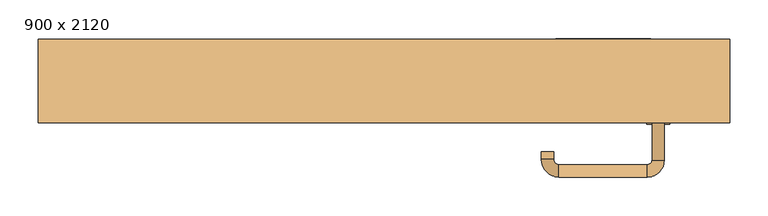
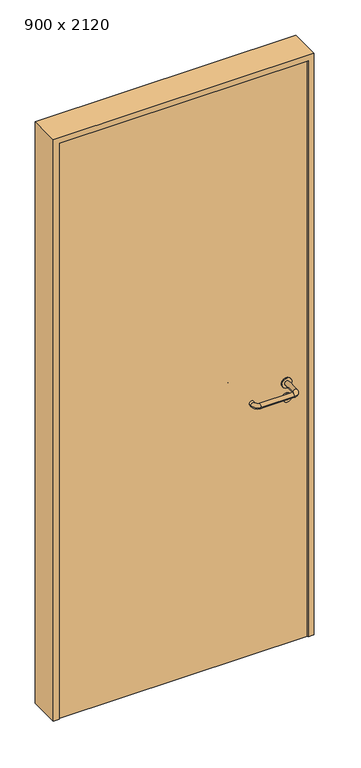
"""IFC4 building model written with IfcOpenShell, lengths in millimetres: door geometry, 900 x 2120."""

from ifc_helpers import new_model, si_unit, point, frame, frame_2d, origin, origin_with_axes, place, context, project, spatial, polyline, circle_curve, ellipse_curve, trimmed, segment, composite_curve, outline, extrude, source, transform, mapped, element, save
from ifc_brep_helpers import plane_surface, cylinder_surface, revolved_surface, advanced_brep


def door_900_x_2120_6063f78e(model_context):
    return source(origin(), model_context, "Body", "SolidModel", [
        extrude(outline(composite_curve([segment(trimmed(circle_curve(frame_2d((897.3605726, 357.0)), 15.0), [point((897.3605726, 372.0))], [point((897.3605726, 342.0))], False, "CARTESIAN"), True, "CONTINUOUS"), segment(trimmed(circle_curve(frame_2d((897.3605726, 357.0)), 15.0), [point((897.3605726, 342.0))], [point((897.3605726, 372.0))], False, "CARTESIAN"), True, "CONTINUOUS")], self_intersect=False), holes=[composite_curve([segment(trimmed(circle_curve(frame_2d((892.5833211, 356.9398032)), 2.0), [point((892.5833211, 358.9398032))], [point((892.5833211, 354.9398032))], True, "CARTESIAN"), True, "CONTINUOUS"), segment(polyline([(892.5833211, 354.9398032), (902.5833211, 354.9398032)]), True, "CONTINUOUS"), segment(trimmed(circle_curve(frame_2d((902.5833211, 356.9398032)), 2.0), [point((902.5833211, 354.9398032))], [point((902.5833211, 358.9398032))], True, "CARTESIAN"), True, "CONTINUOUS"), segment(polyline([(902.5833211, 358.9398032), (892.5833211, 358.9398032)]), True, "CONTINUOUS")], self_intersect=False)]), frame((0.0, -20.0, 0.0), z_axis=(0.0, 1.0, 0.0), x_axis=(0.0, 0.0, 1.0)), (0.0, 0.0, 1.0), 6.35),
        extrude(outline(composite_curve([segment(trimmed(circle_curve(frame_2d((950.0, 357.0)), 17.526), [point((950.0, 374.526))], [point((950.0, 339.474))], False, "CARTESIAN"), True, "CONTINUOUS"), segment(trimmed(circle_curve(frame_2d((950.0, 357.0)), 17.526), [point((950.0, 339.474))], [point((950.0, 374.526))], False, "CARTESIAN"), True, "CONTINUOUS")], self_intersect=False)), frame((0.0, -20.0, 0.0), z_axis=(0.0, 1.0, 0.0), x_axis=(0.0, 0.0, 1.0)), (0.0, 0.0, 1.0), 3.175),
        advanced_brep(
        [(365.0, -20.0, 950.0), (349.0, -20.0, 950.0), (365.0, 33.0, 950.0), (349.0, 33.0, 950.0), (342.8578644, 39.1421356, 950.0), (342.8578644, 55.1421356, 950.0), (227.8578644, 55.1421356, 950.0), (227.8578644, 39.1421356, 950.0), (221.008622, 32.2928932, 950.0), (205.008622, 32.2928932, 950.0), (205.008622, 22.2928932, 950.0), (221.008622, 22.2928932, 950.0)],
        [
            (0, 1, circle_curve(frame((357.0, -20.0, 950.0), z_axis=(0.0, -1.0, 0.0), x_axis=(-1.0, 0.0, 0.0)), 8.0)),
            (1, 0, circle_curve(frame((357.0, -20.0, 950.0), z_axis=(0.0, -1.0, 0.0), x_axis=(-1.0, 0.0, 0.0)), 8.0)),
            (0, 2),
            (2, 3, circle_curve(frame((357.0, 33.0, 950.0), z_axis=(0.0, -1.0, 0.0), x_axis=(-1.0, 0.0, 0.0)), 8.0)),
            (3, 1),
            (3, 2, circle_curve(frame((357.0, 33.0, 950.0), z_axis=(0.0, -1.0, 0.0), x_axis=(-1.0, 0.0, 0.0)), 8.0)),
            (4, 3, circle_curve(frame((342.8578644, 33.0, 950.0), z_axis=(0.0, 0.0, -1.0), x_axis=(1.0, 0.0, 0.0)), 6.1421356)),
            (2, 5, circle_curve(frame((342.8578644, 33.0, 950.0), z_axis=(0.0, 0.0, 1.0), x_axis=(1.0, 0.0, 0.0)), 22.1421356)),
            (5, 4, circle_curve(frame((342.8578644, 47.1421356, 950.0), z_axis=(1.0, 0.0, 0.0), x_axis=(0.0, -1.0, 0.0)), 8.0)),
            (4, 5, circle_curve(frame((342.8578644, 47.1421356, 950.0), z_axis=(1.0, 0.0, 0.0), x_axis=(0.0, -1.0, 0.0)), 8.0)),
            (5, 6),
            (6, 7, circle_curve(frame((227.8578644, 47.1421356, 950.0), z_axis=(1.0, 0.0, 0.0), x_axis=(0.0, -1.0, 0.0)), 8.0)),
            (7, 4),
            (7, 6, circle_curve(frame((227.8578644, 47.1421356, 950.0), z_axis=(1.0, 0.0, 0.0), x_axis=(0.0, -1.0, 0.0)), 8.0)),
            (8, 7, circle_curve(frame((227.8578644, 32.2928932, 950.0), z_axis=(0.0, 0.0, -1.0), x_axis=(0.0, 1.0, 0.0)), 6.8492424)),
            (6, 9, circle_curve(frame((227.8578644, 32.2928932, 950.0), z_axis=(0.0, 0.0, 1.0), x_axis=(0.0, 1.0, 0.0)), 22.8492424)),
            (9, 8, circle_curve(frame((213.008622, 32.2928932, 950.0), z_axis=(0.0, 1.0, 0.0), x_axis=(1.0, 0.0, 0.0)), 8.0)),
            (8, 9, circle_curve(frame((213.008622, 32.2928932, 950.0), z_axis=(0.0, 1.0, 0.0), x_axis=(1.0, 0.0, 0.0)), 8.0)),
            (10, 11, circle_curve(frame((213.008622, 22.2928932, 950.0), z_axis=(0.0, -1.0, 0.0), x_axis=(1.0, 0.0, 0.0)), 8.0)),
            (11, 10, circle_curve(frame((213.008622, 22.2928932, 950.0), z_axis=(0.0, -1.0, 0.0), x_axis=(1.0, 0.0, 0.0)), 8.0)),
            (9, 10),
            (11, 8),
        ],
        [
            plane_surface(frame((357.0, -20.0, 0.0), z_axis=(0.0, -1.0, 0.0), x_axis=(0.0, 0.0, 1.0))),
            cylinder_surface(frame((357.0, -20.0, 950.0), z_axis=(0.0, -1.0, 0.0), x_axis=(-1.0, 0.0, 0.0)), 8.0),
            revolved_surface(trimmed(ellipse_curve(frame((357.0, 33.0, 950.0), z_axis=(0.0, -1.0, 0.0), x_axis=(-1.0, 0.0, 0.0)), 8.0, 8.0), [point((365.0, 33.0, 950.0))], [point((349.0, 33.0, 950.0))], True, "CARTESIAN"), (342.8578644, 33.0, 0.0), (0.0, 0.0, 1.0)),
            revolved_surface(trimmed(ellipse_curve(frame((357.0, 33.0, 950.0), z_axis=(0.0, -1.0, 0.0), x_axis=(-1.0, 0.0, 0.0)), 8.0, 8.0), [point((349.0, 33.0, 950.0))], [point((365.0, 33.0, 950.0))], True, "CARTESIAN"), (342.8578644, 33.0, 0.0), (0.0, 0.0, 1.0)),
            cylinder_surface(frame((342.8578644, 47.1421356, 950.0), z_axis=(1.0, 0.0, 0.0), x_axis=(0.0, -1.0, 0.0)), 8.0),
            revolved_surface(trimmed(ellipse_curve(frame((227.8578644, 47.1421356, 950.0), z_axis=(1.0, 0.0, 0.0), x_axis=(0.0, -1.0, 0.0)), 8.0, 8.0), [point((227.8578644, 55.1421356, 950.0))], [point((227.8578644, 39.1421356, 950.0))], True, "CARTESIAN"), (227.8578644, 32.2928932, 0.0), (0.0, 0.0, 1.0)),
            revolved_surface(trimmed(ellipse_curve(frame((227.8578644, 47.1421356, 950.0), z_axis=(1.0, 0.0, 0.0), x_axis=(0.0, -1.0, 0.0)), 8.0, 8.0), [point((227.8578644, 39.1421356, 950.0))], [point((227.8578644, 55.1421356, 950.0))], True, "CARTESIAN"), (227.8578644, 32.2928932, 0.0), (0.0, 0.0, 1.0)),
            plane_surface(frame((213.008622, 22.2928932, 0.0), z_axis=(0.0, -1.0, 0.0), x_axis=(0.0, 0.0, 1.0))),
            cylinder_surface(frame((213.008622, 32.2928932, 950.0), z_axis=(0.0, 1.0, 0.0), x_axis=(1.0, 0.0, 0.0)), 8.0),
        ],
        [
            (0, [[1, 2]]),
            (1, [[-1, 3, 4, 5]]),
            (1, [[-2, -5, 6, -3]]),
            (2, [[7, -4, 8, 9]]),
            (3, [[-8, -6, -7, 10]]),
            (4, [[-9, 11, 12, 13]]),
            (4, [[-10, -13, 14, -11]]),
            (5, [[15, -12, 16, 17]]),
            (6, [[-16, -14, -15, 18]]),
            (7, [[19, 20]]),
            (8, [[-17, 21, -20, 22]]),
            (8, [[-18, -22, -19, -21]]),
        ],
    ),
        extrude(outline(composite_curve([segment(trimmed(circle_curve(frame_2d((0.0, 15.0)), 15.0), [point((0.0, 30.0))], [point((0.0, 0.0))], False, "CARTESIAN"), True, "CONTINUOUS"), segment(trimmed(circle_curve(frame_2d((0.0, 15.0)), 15.0), [point((0.0, 0.0))], [point((0.0, 30.0))], False, "CARTESIAN"), True, "CONTINUOUS")], self_intersect=False), holes=[composite_curve([segment(trimmed(circle_curve(frame_2d((-4.7772515, 14.9398032)), 2.0), [point((-4.7772515, 16.9398032))], [point((-4.7772515, 12.9398032))], True, "CARTESIAN"), True, "CONTINUOUS"), segment(polyline([(-4.7772515, 12.9398032), (5.2227485, 12.9398032)]), True, "CONTINUOUS"), segment(trimmed(circle_curve(frame_2d((5.2227485, 14.9398032)), 2.0), [point((5.2227485, 12.9398032))], [point((5.2227485, 16.9398032))], True, "CARTESIAN"), True, "CONTINUOUS"), segment(polyline([(5.2227485, 16.9398032), (-4.7772515, 16.9398032)]), True, "CONTINUOUS")], self_intersect=False)]), frame((342.0, -56.35, 897.3605726), z_axis=(-1.8870575173328306e-12, 1.0, 0.0), x_axis=(0.0, 0.0, 1.0)), (0.0, 0.0, 1.0), 6.35),
        extrude(outline(composite_curve([segment(trimmed(circle_curve(frame_2d((0.0, 17.526)), 17.526), [point((0.0, 35.052))], [point((0.0, 0.0))], False, "CARTESIAN"), True, "CONTINUOUS"), segment(trimmed(circle_curve(frame_2d((0.0, 17.526)), 17.526), [point((0.0, 0.0))], [point((0.0, 35.052))], False, "CARTESIAN"), True, "CONTINUOUS")], self_intersect=False)), frame((339.474, -53.175, 950.0), z_axis=(-1.8870575173328306e-12, 1.0, 0.0), x_axis=(0.0, 0.0, 1.0)), (0.0, 0.0, 1.0), 3.175),
        advanced_brep(
        [(365.0, -50.0, 950.0), (349.0, -50.0, 950.0), (349.0, -103.0, 950.0), (365.0, -103.0, 950.0), (342.8578644, -109.1421356, 950.0), (342.8578644, -125.1421356, 950.0), (227.8578644, -109.1421356, 950.0), (227.8578644, -125.1421356, 950.0), (221.008622, -102.2928932, 950.0), (205.008622, -102.2928932, 950.0), (205.008622, -92.2928932, 950.0), (221.008622, -92.2928932, 950.0)],
        [
            (0, 1, circle_curve(frame((357.0, -50.0, 950.0), z_axis=(-1.888672253512351e-12, 1.0, 0.0), x_axis=(-1.0, -1.888672253512351e-12, 0.0)), 8.0)),
            (1, 0, circle_curve(frame((357.0, -50.0, 950.0), z_axis=(-1.888672253512351e-12, 1.0, 0.0), x_axis=(-1.0, -1.888672253512351e-12, 0.0)), 8.0)),
            (1, 2),
            (2, 3, circle_curve(frame((357.0, -103.0, 950.0), z_axis=(-1.888672253512351e-12, 1.0, 0.0), x_axis=(-1.0, -1.888672253512351e-12, 0.0)), 8.0)),
            (3, 0),
            (3, 2, circle_curve(frame((357.0, -103.0, 950.0), z_axis=(-1.888672253512351e-12, 1.0, 0.0), x_axis=(-1.0, -1.888672253512351e-12, 0.0)), 8.0)),
            (4, 5, circle_curve(frame((342.8578644, -117.1421356, 950.0), z_axis=(1.0, 1.913702061528922e-12, 0.0), x_axis=(-1.913702061528922e-12, 1.0, 0.0)), 8.0)),
            (5, 3, circle_curve(frame((342.8578644, -103.0, 950.0), z_axis=(0.0, 0.0, 1.0), x_axis=(1.0, 1.880717803715015e-12, 0.0)), 22.1421356)),
            (2, 4, circle_curve(frame((342.8578644, -103.0, 950.0), z_axis=(0.0, 0.0, -1.0), x_axis=(1.0, 1.880717803715015e-12, 0.0)), 6.1421356)),
            (5, 4, circle_curve(frame((342.8578644, -117.1421356, 950.0), z_axis=(1.0, 1.913702061528922e-12, 0.0), x_axis=(-1.913702061528922e-12, 1.0, 0.0)), 8.0)),
            (4, 6),
            (6, 7, circle_curve(frame((227.8578644, -117.1421356, 950.0), z_axis=(1.0, 1.913719828541269e-12, 0.0), x_axis=(-1.913719828541269e-12, 1.0, 0.0)), 8.0)),
            (7, 5),
            (7, 6, circle_curve(frame((227.8578644, -117.1421356, 950.0), z_axis=(1.0, 1.913719828541269e-12, 0.0), x_axis=(-1.913719828541269e-12, 1.0, 0.0)), 8.0)),
            (8, 9, circle_curve(frame((213.008622, -102.2928932, 950.0), z_axis=(1.8888942981172756e-12, -1.0, 0.0), x_axis=(1.0, 1.8888942981172756e-12, 0.0)), 8.0)),
            (9, 7, circle_curve(frame((227.8578644, -102.2928932, 950.0), z_axis=(0.0, 0.0, 1.0), x_axis=(1.9120873253494017e-12, -1.0, 0.0)), 22.8492424)),
            (6, 8, circle_curve(frame((227.8578644, -102.2928932, 950.0), z_axis=(0.0, 0.0, -1.0), x_axis=(1.9120873253494017e-12, -1.0, 0.0)), 6.8492424)),
            (9, 8, circle_curve(frame((213.008622, -102.2928932, 950.0), z_axis=(1.890448610351751e-12, -1.0, 0.0), x_axis=(1.0, 1.890448610351751e-12, 0.0)), 8.0)),
            (10, 11, circle_curve(frame((213.008622, -92.2928932, 950.0), z_axis=(-1.8903642334018795e-12, 1.0, 0.0), x_axis=(1.0, 1.8903642334018795e-12, 0.0)), 8.0)),
            (11, 10, circle_curve(frame((213.008622, -92.2928932, 950.0), z_axis=(-1.8903642334018795e-12, 1.0, 0.0), x_axis=(1.0, 1.8903642334018795e-12, 0.0)), 8.0)),
            (8, 11),
            (10, 9),
        ],
        [
            plane_surface(frame((357.0, -50.0, 0.0), z_axis=(-1.8870575173328306e-12, 1.0, 0.0), x_axis=(0.0, 0.0, 1.0))),
            cylinder_surface(frame((357.0, -50.0, 950.0), z_axis=(-1.888672253512351e-12, 1.0, 0.0), x_axis=(-1.0, -1.888672253512351e-12, 0.0)), 8.0),
            revolved_surface(trimmed(ellipse_curve(frame((357.0, -103.0, 950.0), z_axis=(1.8823325398945356e-12, -1.0, 0.0), x_axis=(-1.0, -1.8823325398945356e-12, 0.0)), 8.0, 8.0), [point((365.0, -103.0, 950.0))], [point((349.0, -103.0, 950.0))], True, "CARTESIAN"), (342.8578644, -103.0, 0.0), (0.0, 0.0, 1.0)),
            revolved_surface(trimmed(ellipse_curve(frame((357.0, -103.0, 950.0), z_axis=(1.8823325398945356e-12, -1.0, 0.0), x_axis=(-1.0, -1.8823325398945356e-12, 0.0)), 8.0, 8.0), [point((349.0, -103.0, 950.0))], [point((365.0, -103.0, 950.0))], True, "CARTESIAN"), (342.8578644, -103.0, 0.0), (0.0, 0.0, 1.0)),
            cylinder_surface(frame((342.8578644, -117.1421356, 950.0), z_axis=(1.0, 1.913719828541269e-12, 0.0), x_axis=(-1.913719828541269e-12, 1.0, 0.0)), 8.0),
            revolved_surface(trimmed(ellipse_curve(frame((227.8578644, -117.1421356, 950.0), z_axis=(-1.0, -1.913702061528922e-12, 0.0), x_axis=(-1.913702061528922e-12, 1.0, 0.0)), 8.0, 8.0), [point((227.8578644, -125.1421356, 950.0))], [point((227.8578644, -109.1421356, 950.0))], True, "CARTESIAN"), (227.8578644, -102.2928932, 0.0), (0.0, 0.0, 1.0)),
            revolved_surface(trimmed(ellipse_curve(frame((227.8578644, -117.1421356, 950.0), z_axis=(-1.0, -1.913702061528922e-12, 0.0), x_axis=(-1.913702061528922e-12, 1.0, 0.0)), 8.0, 8.0), [point((227.8578644, -109.1421356, 950.0))], [point((227.8578644, -125.1421356, 950.0))], True, "CARTESIAN"), (227.8578644, -102.2928932, 0.0), (0.0, 0.0, 1.0)),
            plane_surface(frame((213.008622, -92.2928932, 0.0), z_axis=(-1.8887494972223595e-12, 1.0, 0.0), x_axis=(0.0, 0.0, 1.0))),
            cylinder_surface(frame((213.008622, -102.2928932, 950.0), z_axis=(1.8903642334018795e-12, -1.0, 0.0), x_axis=(1.0, 1.8903642334018795e-12, 0.0)), 8.0),
        ],
        [
            (0, [[1, 2]]),
            (1, [[3, 4, 5, -2]]),
            (1, [[-5, 6, -3, -1]]),
            (2, [[7, 8, -4, 9]]),
            (3, [[10, -9, -6, -8]]),
            (4, [[11, 12, 13, -7]]),
            (4, [[-13, 14, -11, -10]]),
            (5, [[15, 16, -12, 17]]),
            (6, [[18, -17, -14, -16]]),
            (7, [[19, 20]]),
            (8, [[21, -19, 22, -15]]),
            (8, [[-22, -20, -21, -18]]),
        ],
    ),
        extrude(outline(polyline([(2100.0, 430.0), (0.0, 430.0), (0.0, 450.0), (2120.0, 450.0), (2120.0, -450.0), (0.0, -450.0), (0.0, -430.0), (2100.0, -430.0), (2100.0, 430.0)])), frame((0.0, -55.0, 0.0), z_axis=(0.0, 1.0, 0.0), x_axis=(0.0, 0.0, 1.0)), (0.0, 0.0, 1.0), 109.0),
        extrude(outline(polyline([(-430.0, -50.0), (-430.0, -20.0), (430.0, -20.0), (430.0, -50.0), (-430.0, -50.0)])), origin_with_axes(), (0.0, 0.0, 1.0), 2100.0),
    ])


if __name__ == "__main__":
    model = new_model("IFC4")
    model_context = context("Model", 3, world=origin())
    ifc_project = project(units=[si_unit("LENGTHUNIT", "METRE", prefix="MILLI")], contexts=[model_context])
    site = spatial("IfcSite", under=ifc_project)
    building = spatial("IfcBuilding", under=site)
    placement = place(None, origin())
    door_900_x_2120_shape = door_900_x_2120_6063f78e(model_context)
    element("IfcDoor", 1, ObjectType="900 x 2120", at=placement, inside=building, context=model_context, shape_type="MappedRepresentation", body=[
        mapped(door_900_x_2120_shape, transform((0.0, 0.0, 0.0), x_axis=(1.0, 0.0, 0.0), y_axis=(0.0, 1.0, 0.0), z_axis=(0.0, 0.0, 1.0))),
    ])
    save(model, "model.ifc")
